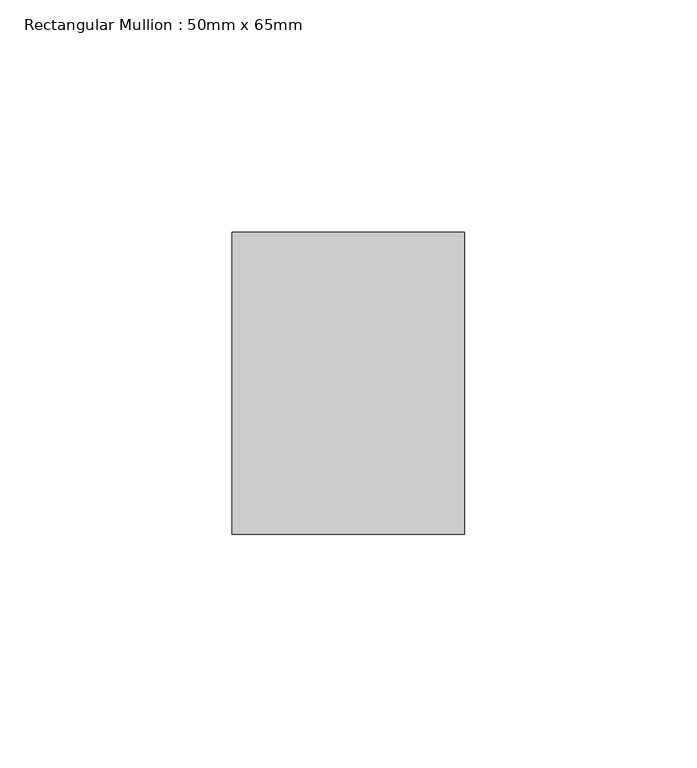
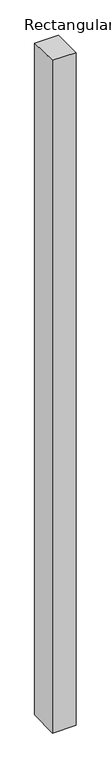
"""IFC4 building model written with IfcOpenShell, lengths in millimetres: member geometry, Rectangular Mullion : 50mm x 65mm."""

from ifc_helpers import new_model, si_unit, origin, place, context, project, spatial, faceted_brep, source, transform, mapped, element, save


def rectangular_mullion_50mm_x_65mm_ded65abd(model_context):
    return source(origin(), model_context, "Body", "Brep", [
        faceted_brep([(-25.0, 32.5, -0.451817), (25.0, 32.5, -0.451812), (25.0, 32.5, -1499.4317474), (-25.0, 32.5, -1499.4317411), (-25.0, -32.5, 0.451812), (-25.0, -32.5, -1500.5683803), (25.0, -32.5, 0.451817), (25.0, -32.5, -1500.5683865)], [[[0, 1, 2, 3]], [[4, 0, 3, 5]], [[6, 4, 5, 7]], [[1, 6, 7, 2]], [[1, 0, 4, 6]], [[2, 7, 5, 3]]]),
    ])


if __name__ == "__main__":
    model = new_model("IFC4")
    model_context = context("Model", 3, world=origin())
    ifc_project = project(units=[si_unit("LENGTHUNIT", "METRE", prefix="MILLI")], contexts=[model_context])
    site = spatial("IfcSite", under=ifc_project)
    building = spatial("IfcBuilding", under=site)
    placement = place(None, origin())
    rectangular_mullion_50mm_x_65mm_shape = rectangular_mullion_50mm_x_65mm_ded65abd(model_context)
    element("IfcMember", 1, ObjectType="Rectangular Mullion : 50mm x 65mm", at=placement, inside=building, context=model_context, shape_type="MappedRepresentation", body=[
        mapped(rectangular_mullion_50mm_x_65mm_shape, transform((0.0, 0.0, 0.0), x_axis=(1.0, 0.0, 0.0), y_axis=(0.0, 1.0, 0.0), z_axis=(0.0, 0.0, 1.0))),
    ])
    save(model, "model.ifc")
